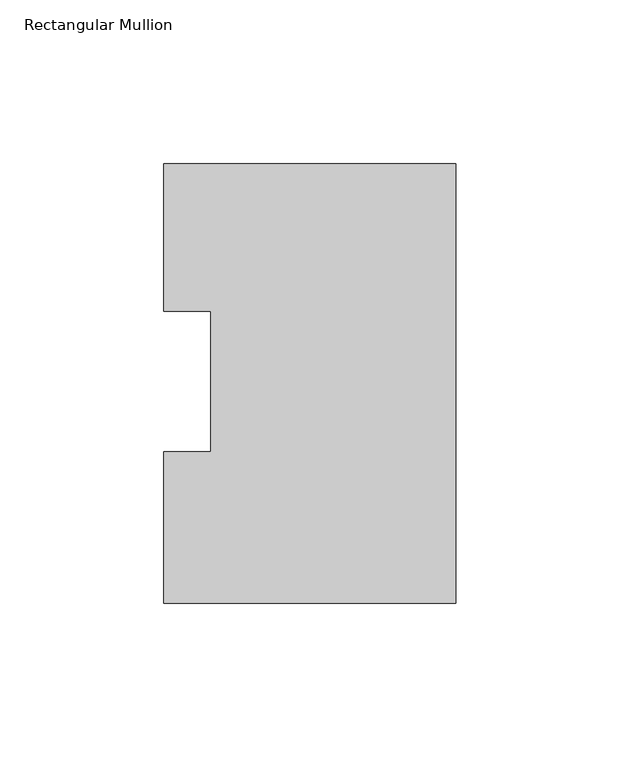
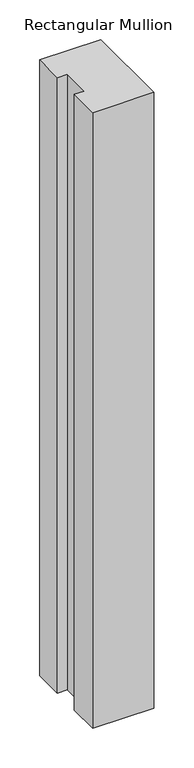
"""IFC4 building model written with IfcOpenShell, lengths in millimetres: member geometry, Rectangular Mullion."""

from ifc_helpers import new_model, si_unit, frame, origin, place, context, project, spatial, polyline, outline, extrude, source, transform, mapped, element, save


def rectangular_mullion_8f98de9d(model_context):
    return source(origin(), model_context, "Body", "SweptSolid", [
        extrude(outline(polyline([(0.0, 130.0368875), (0.0, -3.9735125), (-88.9, -3.9735125), (-88.9, 42.2798875), (-74.6252, 42.2798875), (-74.6252, 85.1296875), (-88.9, 85.1296875), (-88.9, 130.0368875), (0.0, 130.0368875)])), frame((0.0, 0.0, -947.708925), z_axis=(0.0, 0.0, 1.0), x_axis=(1.0, 0.0, 0.0)), (0.0, 0.0, 1.0), 947.708925),
    ])


if __name__ == "__main__":
    model = new_model("IFC4")
    model_context = context("Model", 3, world=origin())
    ifc_project = project(units=[si_unit("LENGTHUNIT", "METRE", prefix="MILLI")], contexts=[model_context])
    site = spatial("IfcSite", under=ifc_project)
    building = spatial("IfcBuilding", under=site)
    placement = place(None, origin())
    rectangular_mullion_shape = rectangular_mullion_8f98de9d(model_context)
    element("IfcMember", 1, ObjectType="Rectangular Mullion", at=placement, inside=building, context=model_context, shape_type="MappedRepresentation", body=[
        mapped(rectangular_mullion_shape, transform((0.0, 0.0, 0.0), x_axis=(1.0, 0.0, 0.0), y_axis=(0.0, 1.0, 0.0), z_axis=(0.0, 0.0, 1.0))),
    ])
    save(model, "model.ifc")
